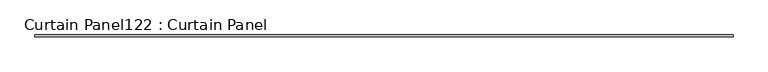
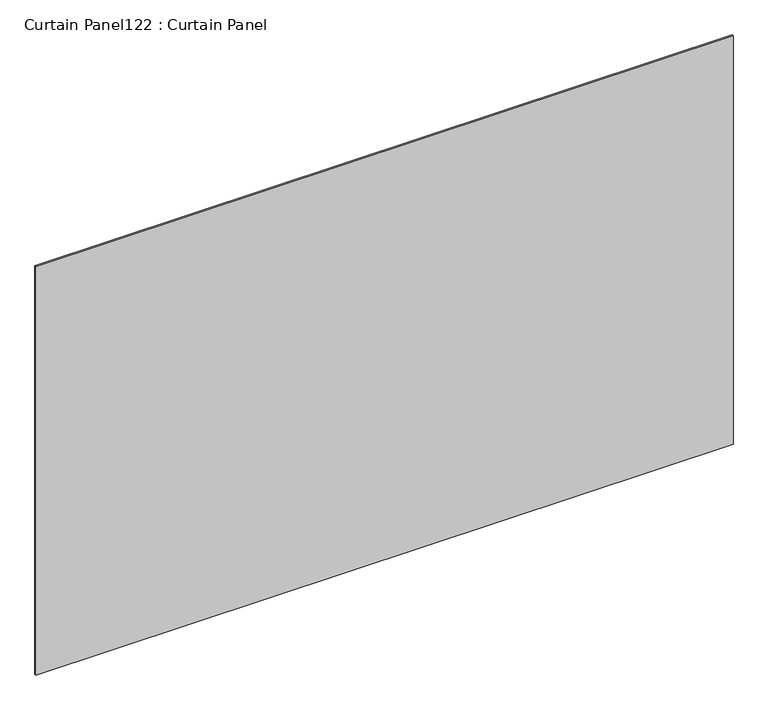
"""IFC4 building model written with IfcOpenShell, lengths in millimetres: plate geometry, Curtain Panel122 : Curtain Panel."""

from ifc_helpers import new_model, si_unit, frame, origin, place, context, project, spatial, polyline, outline, extrude, source, transform, mapped, element, save


def curtain_panel122_curtain_panel_a1ded277(model_context):
    return source(origin(), model_context, "Body", "SweptSolid", [
        extrude(outline(polyline([(280255.7063541, 2417.6234836), (277817.3063541, 2417.6234836), (277817.3063541, 2423.9734836), (280255.7063541, 2423.9734836), (280255.7063541, 2417.6234836)])), frame((0.0, 0.0, 6452.4567475), z_axis=(0.0, 0.0, 1.0), x_axis=(1.0, 0.0, 0.0)), (0.0, 0.0, 1.0), 1509.7681862),
    ])


if __name__ == "__main__":
    model = new_model("IFC4")
    model_context = context("Model", 3, world=origin())
    ifc_project = project(units=[si_unit("LENGTHUNIT", "METRE", prefix="MILLI")], contexts=[model_context])
    site = spatial("IfcSite", under=ifc_project)
    building = spatial("IfcBuilding", under=site)
    placement = place(None, origin())
    curtain_panel122_curtain_panel_shape = curtain_panel122_curtain_panel_a1ded277(model_context)
    element("IfcPlate", 1, ObjectType="Curtain Panel122 : Curtain Panel", at=placement, inside=building, context=model_context, shape_type="MappedRepresentation", body=[
        mapped(curtain_panel122_curtain_panel_shape, transform((0.0, 0.0, 0.0), x_axis=(1.0, 0.0, 0.0), y_axis=(0.0, 1.0, 0.0), z_axis=(0.0, 0.0, 1.0))),
    ])
    save(model, "model.ifc")
